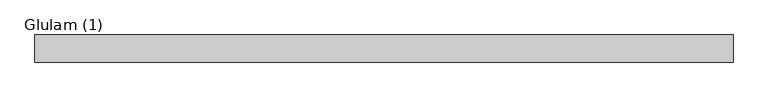
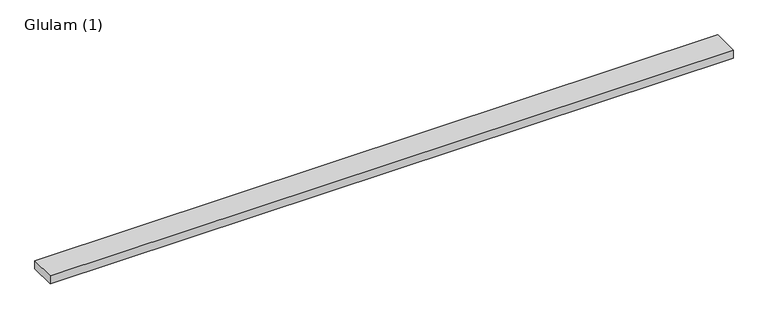
"""IFC4 building model written with IfcOpenShell, lengths in millimetres: beam geometry, Glulam (1)."""

from ifc_helpers import new_model, si_unit, frame, origin, place, context, project, spatial, polyline, outline, extrude, source, transform, mapped, element, save


def glulam_1_1e399775(model_context):
    return source(origin(), model_context, "Body", "SweptSolid", [
        extrude(outline(polyline([(1803.0000006, 70.0), (1803.0000006, -70.0), (-1795.0000006, -70.0), (-1795.0000006, 70.0), (1803.0000006, 70.0)])), frame((0.0, 0.0, -22.5), z_axis=(0.0, 0.0, 1.0), x_axis=(1.0, 0.0, 0.0)), (0.0, 0.0, 1.0), 45.0),
    ])


if __name__ == "__main__":
    model = new_model("IFC4")
    model_context = context("Model", 3, world=origin())
    ifc_project = project(units=[si_unit("LENGTHUNIT", "METRE", prefix="MILLI")], contexts=[model_context])
    site = spatial("IfcSite", under=ifc_project)
    building = spatial("IfcBuilding", under=site)
    placement = place(None, origin())
    glulam_1_shape = glulam_1_1e399775(model_context)
    element("IfcBeam", 1, ObjectType="Glulam (1)", at=placement, inside=building, context=model_context, shape_type="MappedRepresentation", body=[
        mapped(glulam_1_shape, transform((0.0, 0.0, 0.0), x_axis=(1.0, 0.0, 0.0), y_axis=(0.0, 1.0, 0.0), z_axis=(0.0, 0.0, 1.0))),
    ])
    save(model, "model.ifc")
